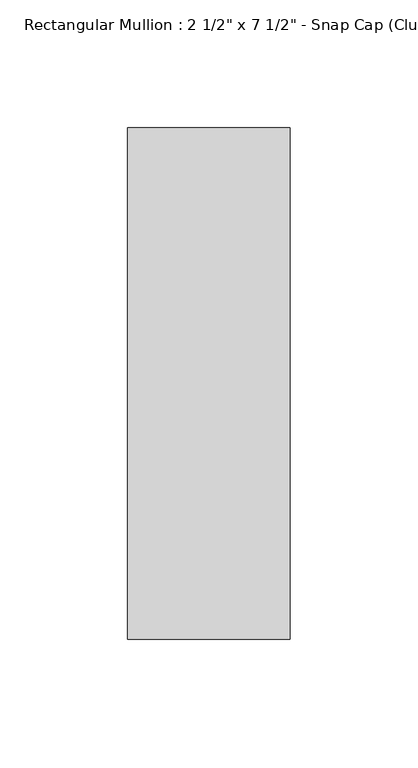
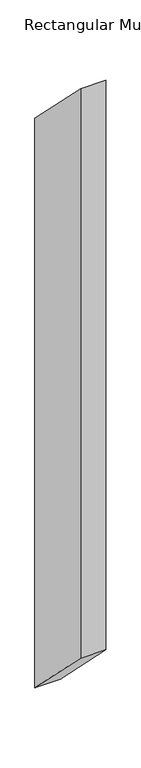
"""IFC4 building model written with IfcOpenShell, lengths in millimetres: member geometry."""

from ifc_helpers import new_model, si_unit, frame, origin, place, context, project, spatial, polyline, outline, extrude, source, transform, mapped, element, save


def member_34f72601(model_context):
    return source(origin(), model_context, "Body", "SweptSolid", [
        extrude(outline(polyline([(-174.2, 174.2), (25.8, -25.8), (25.8, -1546.8), (-174.2, -1346.8), (-174.2, 174.2)])), frame((-63.5, 0.0, 0.0), z_axis=(1.0, 0.0, 0.0), x_axis=(0.0, 1.0, 0.0)), (0.0, 0.0, 1.0), 63.5),
    ])


if __name__ == "__main__":
    model = new_model("IFC4")
    model_context = context("Model", 3, world=origin())
    ifc_project = project(units=[si_unit("LENGTHUNIT", "METRE", prefix="MILLI")], contexts=[model_context])
    site = spatial("IfcSite", under=ifc_project)
    building = spatial("IfcBuilding", under=site)
    placement = place(None, origin())
    member_shape = member_34f72601(model_context)
    element("IfcMember", 1, ObjectType="Rectangular Mullion : 2 1/2\" x 7 1/2\" - Snap Cap (Club)", at=placement, inside=building, context=model_context, shape_type="MappedRepresentation", body=[
        mapped(member_shape, transform((0.0, 0.0, 0.0), x_axis=(1.0, 0.0, 0.0), y_axis=(0.0, 1.0, 0.0), z_axis=(0.0, 0.0, 1.0))),
    ])
    save(model, "model.ifc")
